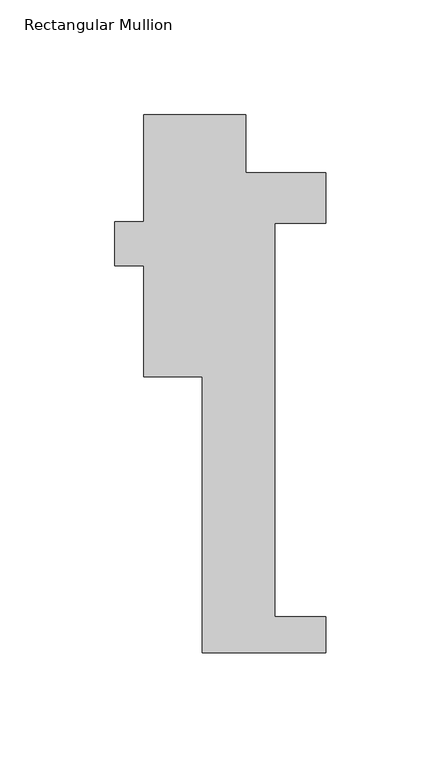
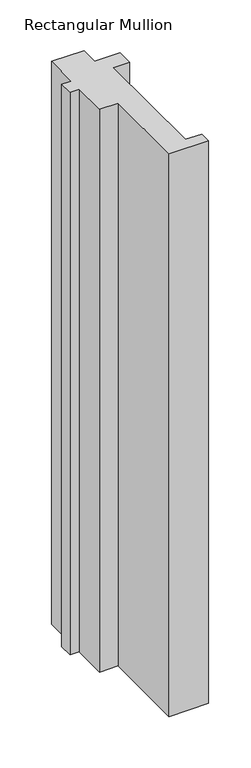
"""IFC4 building model written with IfcOpenShell, lengths in millimetres: member geometry, Rectangular Mullion."""

from ifc_helpers import new_model, si_unit, frame, origin, place, context, project, spatial, polyline, outline, extrude, source, transform, mapped, element, save


def rectangular_mullion_77668017(model_context):
    return source(origin(), model_context, "Body", "SweptSolid", [
        extrude(outline(polyline([(-15.875, -221.996), (-15.875, -101.6), (-41.275, -101.6), (-41.275, -53.0709981), (-53.9837706, -53.0709981), (-53.9837706, -34.0209981), (-41.275, -34.0209981), (-41.275, 12.7), (3.175, 12.7), (3.175, -12.7), (38.1, -12.7), (38.1, -34.671), (15.875, -34.671), (15.875, -206.121), (38.1, -206.121), (38.1, -221.996), (-15.875, -221.996)])), frame((0.0, 0.0, -812.8), z_axis=(0.0, 0.0, 1.0), x_axis=(1.0, 0.0, 0.0)), (0.0, 0.0, 1.0), 812.8),
    ])


if __name__ == "__main__":
    model = new_model("IFC4")
    model_context = context("Model", 3, world=origin())
    ifc_project = project(units=[si_unit("LENGTHUNIT", "METRE", prefix="MILLI")], contexts=[model_context])
    site = spatial("IfcSite", under=ifc_project)
    building = spatial("IfcBuilding", under=site)
    placement = place(None, origin())
    rectangular_mullion_shape = rectangular_mullion_77668017(model_context)
    element("IfcMember", 1, ObjectType="Rectangular Mullion", at=placement, inside=building, context=model_context, shape_type="MappedRepresentation", body=[
        mapped(rectangular_mullion_shape, transform((0.0, 0.0, 0.0), x_axis=(1.0, 0.0, 0.0), y_axis=(0.0, 1.0, 0.0), z_axis=(0.0, 0.0, 1.0))),
    ])
    save(model, "model.ifc")
